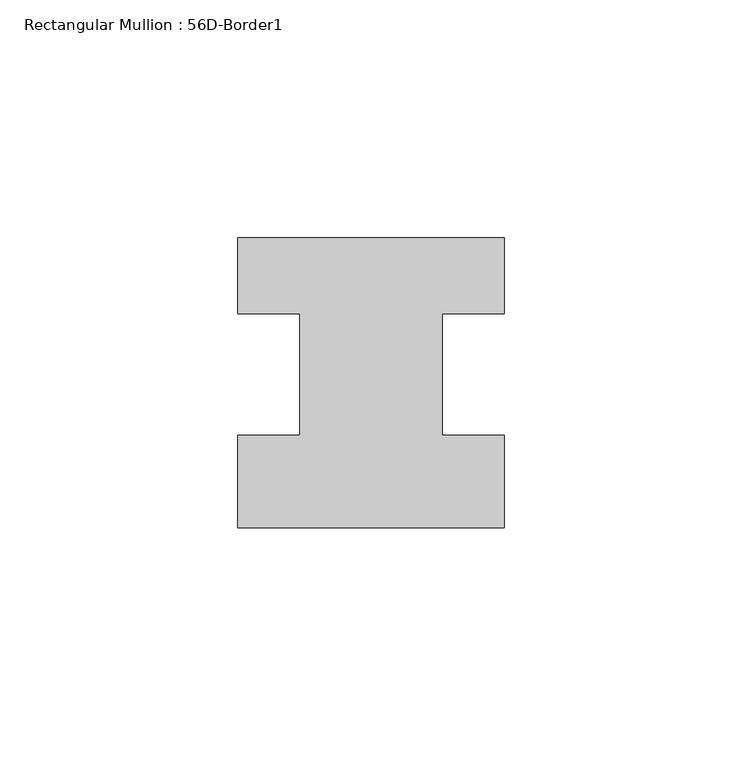
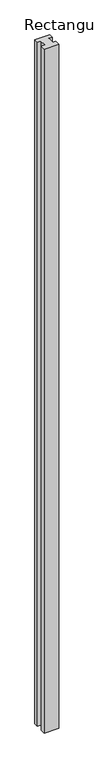
"""IFC4 building model written with IfcOpenShell, lengths in millimetres: member geometry, Rectangular Mullion : 56D-Border1."""

from ifc_helpers import new_model, si_unit, frame, origin, place, context, project, spatial, polyline, outline, extrude, source, transform, mapped, element, save


def rectangular_mullion_56d_border1_582db8a5(model_context):
    return source(origin(), model_context, "Body", "SweptSolid", [
        extrude(outline(polyline([(0.0, -20.0), (-56.0, -20.0), (-56.0, -0.5), (-43.0, -0.5), (-43.0, 25.0), (-56.0, 25.0), (-56.0, 41.0), (0.0, 41.0), (0.0, 25.0), (-13.0, 25.0), (-13.0, -0.5), (0.0, -0.5), (0.0, -20.0)])), frame((0.0, 0.0, -2744.0), z_axis=(0.0, 0.0, 1.0), x_axis=(1.0, 0.0, 0.0)), (0.0, 0.0, 1.0), 2744.0),
    ])


if __name__ == "__main__":
    model = new_model("IFC4")
    model_context = context("Model", 3, world=origin())
    ifc_project = project(units=[si_unit("LENGTHUNIT", "METRE", prefix="MILLI")], contexts=[model_context])
    site = spatial("IfcSite", under=ifc_project)
    building = spatial("IfcBuilding", under=site)
    placement = place(None, origin())
    rectangular_mullion_56d_border1_shape = rectangular_mullion_56d_border1_582db8a5(model_context)
    element("IfcMember", 1, ObjectType="Rectangular Mullion : 56D-Border1", at=placement, inside=building, context=model_context, shape_type="MappedRepresentation", body=[
        mapped(rectangular_mullion_56d_border1_shape, transform((0.0, 0.0, 0.0), x_axis=(1.0, 0.0, 0.0), y_axis=(0.0, 1.0, 0.0), z_axis=(0.0, 0.0, 1.0))),
    ])
    save(model, "model.ifc")
